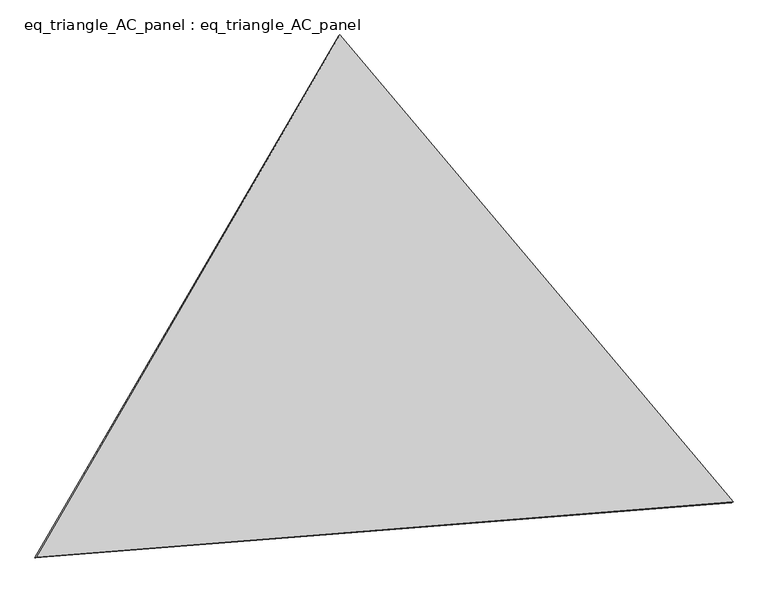
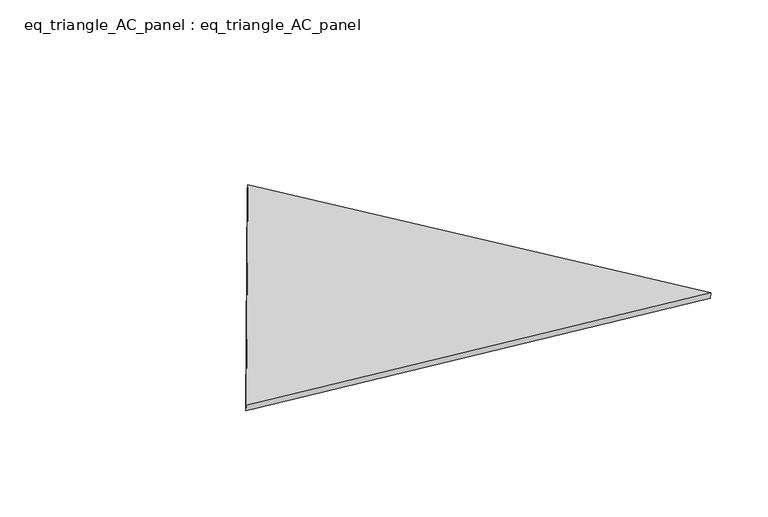
"""IFC4 building model written with IfcOpenShell, lengths in millimetres: proxy geometry, eq_triangle_AC_panel : eq_triangle_AC_panel."""

from ifc_helpers import new_model, si_unit, frame, origin, place, context, project, spatial, polyline, outline, extrude, source, transform, mapped, element, save


def eq_triangle_ac_panel_eq_triangle_ac_panel_6f68fb42(model_context):
    return source(origin(), model_context, "Body", "SweptSolid", [
        extrude(outline(polyline([(-1545.5252188, 1096.9501239), (1940.5810827, 1096.9501239), (-395.0558641, -2193.9002477), (-1545.5252188, 1096.9501239)])), frame((0.0038051, 527.9290861, 89.8240019), z_axis=(0.14526328518058207, 0.08386570281802157, 0.9858321976225894), x_axis=(0.6433905056170363, -0.7649607109842625, -0.029728234597869704)), (0.0, 0.0, 1.0), 43.8306294),
    ])


if __name__ == "__main__":
    model = new_model("IFC4")
    model_context = context("Model", 3, world=origin())
    ifc_project = project(units=[si_unit("LENGTHUNIT", "METRE", prefix="MILLI")], contexts=[model_context])
    site = spatial("IfcSite", under=ifc_project)
    building = spatial("IfcBuilding", under=site)
    placement = place(None, origin())
    eq_triangle_ac_panel_eq_triangle_ac_panel_shape = eq_triangle_ac_panel_eq_triangle_ac_panel_6f68fb42(model_context)
    element("IfcBuildingElementProxy", 1, Name="eq_triangle_AC_panel : eq_triangle_AC_panel", ObjectType="eq_triangle_AC_panel : eq_triangle_AC_panel", at=placement, inside=building, context=model_context, shape_type="MappedRepresentation", body=[
        mapped(eq_triangle_ac_panel_eq_triangle_ac_panel_shape, transform((0.0, 0.0, 0.0), x_axis=(1.0, 0.0, 0.0), y_axis=(0.0, 1.0, 0.0), z_axis=(0.0, 0.0, 1.0))),
    ])
    save(model, "model.ifc")
